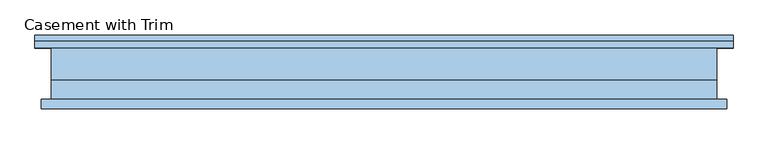
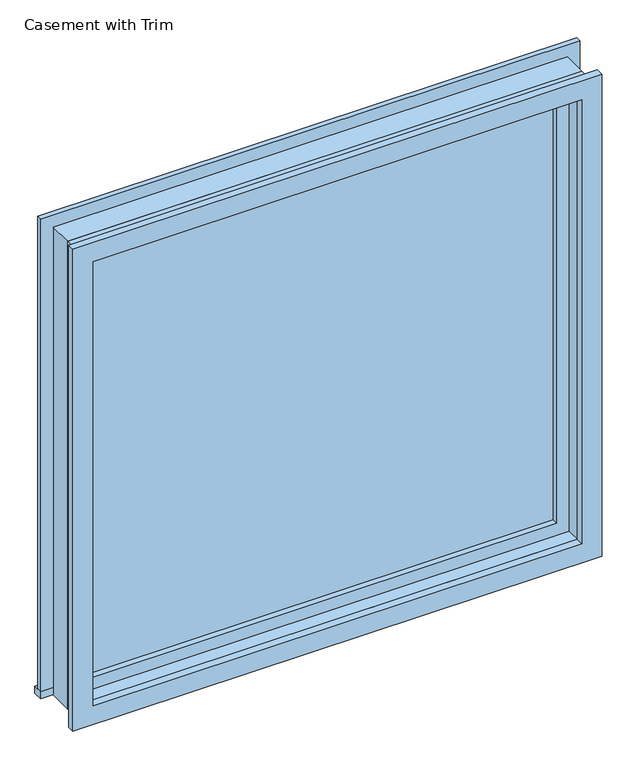
"""IFC4 building model written with IfcOpenShell, lengths in millimetres: window geometry, Casement with Trim."""

from ifc_helpers import new_model, si_unit, frame, origin, place, context, project, spatial, polyline, outline, extrude, source, transform, mapped, element, save


def casement_with_trim_066d0708(model_context):
    return source(origin(), model_context, "Body", "SweptSolid", [
        extrude(outline(polyline([(-681.75, 75.4), (681.75, 75.4), (681.75, 50.0), (-681.75, 50.0), (-681.75, 75.4)])), frame((0.0, 0.0, 914.4), z_axis=(0.0, 0.0, 1.0), x_axis=(1.0, 0.0, 0.0)), (0.0, 0.0, 1.0), 19.05),
        extrude(outline(polyline([(2145.35, -630.95), (2145.35, 630.95), (933.45, 630.95), (933.45, 681.75), (2196.15, 681.75), (2196.15, -681.75), (933.45, -681.75), (933.45, -630.95), (2145.35, -630.95)])), frame((0.0, 50.0, 0.0), z_axis=(0.0, 1.0, 0.0), x_axis=(0.0, 0.0, 1.0)), (0.0, 0.0, 1.0), 12.7),
        extrude(outline(polyline([(2183.45, 669.05), (2183.45, -669.05), (895.35, -669.05), (895.35, 669.05), (2183.45, 669.05)]), holes=[polyline([(2132.65, 618.25), (946.15, 618.25), (946.15, -618.25), (2132.65, -618.25), (2132.65, 618.25)])]), frame((0.0, -69.05, 0.0), z_axis=(0.0, 1.0, 0.0), x_axis=(0.0, 0.0, 1.0)), (0.0, 0.0, 1.0), 19.05),
        extrude(outline(polyline([(586.5, 2.375), (-586.5, 2.375), (-586.5, 15.075), (586.5, 15.075), (586.5, 2.375)])), frame((0.0, 0.0, 977.9), z_axis=(0.0, 0.0, 1.0), x_axis=(1.0, 0.0, 0.0)), (0.0, 0.0, 1.0), 1123.0),
        extrude(outline(polyline([(2145.35, -630.95), (933.45, -630.95), (933.45, 630.95), (2145.35, 630.95), (2145.35, -630.95)]), holes=[polyline([(2100.9, -586.5), (2100.9, 586.5), (977.9, 586.5), (977.9, -586.5), (2100.9, -586.5)])]), frame((0.0, -13.5, 0.0), z_axis=(0.0, 1.0, 0.0), x_axis=(0.0, 0.0, 1.0)), (0.0, 0.0, 1.0), 44.45),
        extrude(outline(polyline([(2164.4, -650.0), (914.4, -650.0), (914.4, 650.0), (2164.4, 650.0), (2164.4, -650.0)]), holes=[polyline([(2132.65, -618.25), (2132.65, 618.25), (946.15, 618.25), (946.15, -618.25), (2132.65, -618.25)])]), frame((0.0, -50.0, 0.0), z_axis=(0.0, 1.0, 0.0), x_axis=(0.0, 0.0, 1.0)), (0.0, 0.0, 1.0), 36.5),
        extrude(outline(polyline([(2164.4, 650.0), (2164.4, -650.0), (914.4, -650.0), (914.4, 650.0), (2164.4, 650.0)]), holes=[polyline([(2145.35, 630.95), (933.45, 630.95), (933.45, -630.95), (2145.35, -630.95), (2145.35, 630.95)])]), frame((0.0, -13.5, 0.0), z_axis=(0.0, 1.0, 0.0), x_axis=(0.0, 0.0, 1.0)), (0.0, 0.0, 1.0), 63.5),
    ])


if __name__ == "__main__":
    model = new_model("IFC4")
    model_context = context("Model", 3, world=origin())
    ifc_project = project(units=[si_unit("LENGTHUNIT", "METRE", prefix="MILLI")], contexts=[model_context])
    site = spatial("IfcSite", under=ifc_project)
    building = spatial("IfcBuilding", under=site)
    placement = place(None, origin())
    casement_with_trim_shape = casement_with_trim_066d0708(model_context)
    element("IfcWindow", 1, ObjectType="Casement with Trim", at=placement, inside=building, context=model_context, shape_type="MappedRepresentation", body=[
        mapped(casement_with_trim_shape, transform((0.0, 0.0, 0.0), x_axis=(1.0, 0.0, 0.0), y_axis=(0.0, 1.0, 0.0), z_axis=(0.0, 0.0, 1.0))),
    ])
    save(model, "model.ifc")
